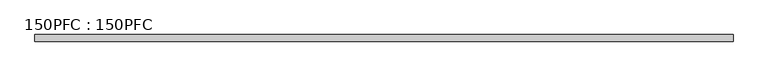
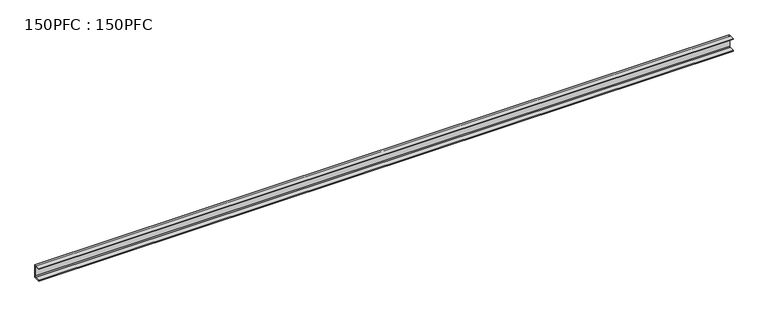
"""IFC4 building model written with IfcOpenShell, lengths in millimetres: beam geometry, 150PFC : 150PFC."""

from ifc_helpers import new_model, si_unit, point, frame, frame_2d, origin, place, context, project, spatial, polyline, circle_curve, trimmed, segment, composite_curve, outline, extrude, source, transform, mapped, element, save


def beam_150pfc_150pfc_94579b8f(model_context):
    return source(origin(), model_context, "Body", "SweptSolid", [
        extrude(outline(composite_curve([segment(polyline([(21.6471313, 65.0), (-37.3528687, 65.0), (-37.3528687, 74.5), (37.6471313, 74.5), (37.6471313, -75.5), (-37.3528687, -75.5), (-37.3528687, -66.0), (21.6471313, -66.0)]), True, "CONTINUOUS"), segment(trimmed(circle_curve(frame_2d((21.6471313, -56.0)), 10.0), [point((21.6471313, -66.0))], [point((31.6471313, -56.0))], True, "CARTESIAN"), True, "CONTINUOUS"), segment(polyline([(31.6471313, -56.0), (31.6471313, 55.0)]), True, "CONTINUOUS"), segment(trimmed(circle_curve(frame_2d((21.6471313, 55.0)), 10.0), [point((31.6471313, 55.0))], [point((21.6471313, 65.0))], True, "CARTESIAN"), True, "CONTINUOUS")], self_intersect=False)), frame((-3912.3, 0.0, 0.0), z_axis=(1.0, 0.0, 0.0), x_axis=(0.0, 1.0, 0.0)), (0.0, 0.0, 1.0), 7937.3),
    ])


if __name__ == "__main__":
    model = new_model("IFC4")
    model_context = context("Model", 3, world=origin())
    ifc_project = project(units=[si_unit("LENGTHUNIT", "METRE", prefix="MILLI")], contexts=[model_context])
    site = spatial("IfcSite", under=ifc_project)
    building = spatial("IfcBuilding", under=site)
    placement = place(None, origin())
    beam_150pfc_150pfc_shape = beam_150pfc_150pfc_94579b8f(model_context)
    element("IfcBeam", 1, ObjectType="150PFC : 150PFC", at=placement, inside=building, context=model_context, shape_type="MappedRepresentation", body=[
        mapped(beam_150pfc_150pfc_shape, transform((0.0, 0.0, 0.0), x_axis=(1.0, 0.0, 0.0), y_axis=(0.0, 1.0, 0.0), z_axis=(0.0, 0.0, 1.0))),
    ])
    save(model, "model.ifc")
